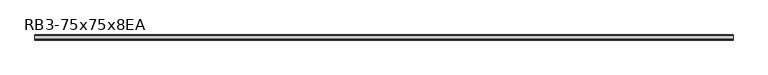
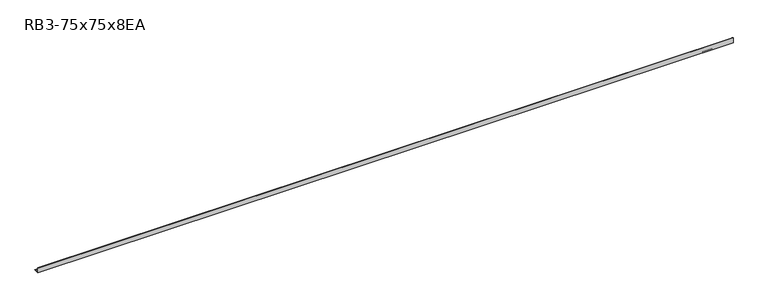
"""IFC4 building model written with IfcOpenShell, lengths in millimetres: member geometry, RB3-75x75x8EA."""

from ifc_helpers import new_model, si_unit, point, frame, frame_2d, origin, place, context, project, spatial, polyline, circle_curve, trimmed, segment, composite_curve, outline, extrude, source, transform, mapped, element, save


def rb3_75x75x8ea_ad35b322(model_context):
    return source(origin(), model_context, "Body", "SweptSolid", [
        extrude(outline(composite_curve([segment(polyline([(-21.3, -21.3), (-21.3, 53.7), (-18.3, 53.7)]), True, "CONTINUOUS"), segment(trimmed(circle_curve(frame_2d((-18.3, 48.7)), 5.0), [point((-18.3, 53.7))], [point((-13.3, 48.7))], False, "CARTESIAN"), True, "CONTINUOUS"), segment(polyline([(-13.3, 48.7), (-13.3, -5.3)]), True, "CONTINUOUS"), segment(trimmed(circle_curve(frame_2d((-5.3, -5.3)), 8.0), [point((-13.3, -5.3))], [point((-5.3, -13.3))], True, "CARTESIAN"), True, "CONTINUOUS"), segment(polyline([(-5.3, -13.3), (48.7, -13.3)]), True, "CONTINUOUS"), segment(trimmed(circle_curve(frame_2d((48.7, -18.3)), 5.0), [point((48.7, -13.3))], [point((53.7, -18.3))], False, "CARTESIAN"), True, "CONTINUOUS"), segment(polyline([(53.7, -18.3), (53.7, -21.3), (-21.3, -21.3)]), True, "CONTINUOUS")], self_intersect=False)), frame((-5086.5, 0.0, 0.0), z_axis=(1.0, 0.0, 0.0), x_axis=(0.0, 1.0, 0.0)), (0.0, 0.0, 1.0), 10180.0),
    ])


if __name__ == "__main__":
    model = new_model("IFC4")
    model_context = context("Model", 3, world=origin())
    ifc_project = project(units=[si_unit("LENGTHUNIT", "METRE", prefix="MILLI")], contexts=[model_context])
    site = spatial("IfcSite", under=ifc_project)
    building = spatial("IfcBuilding", under=site)
    placement = place(None, origin())
    rb3_75x75x8ea_shape = rb3_75x75x8ea_ad35b322(model_context)
    element("IfcMember", 1, ObjectType="RB3-75x75x8EA", at=placement, inside=building, context=model_context, shape_type="MappedRepresentation", body=[
        mapped(rb3_75x75x8ea_shape, transform((0.0, 0.0, 0.0), x_axis=(1.0, 0.0, 0.0), y_axis=(0.0, 1.0, 0.0), z_axis=(0.0, 0.0, 1.0))),
    ])
    save(model, "model.ifc")
